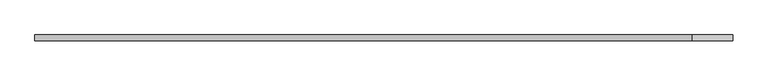
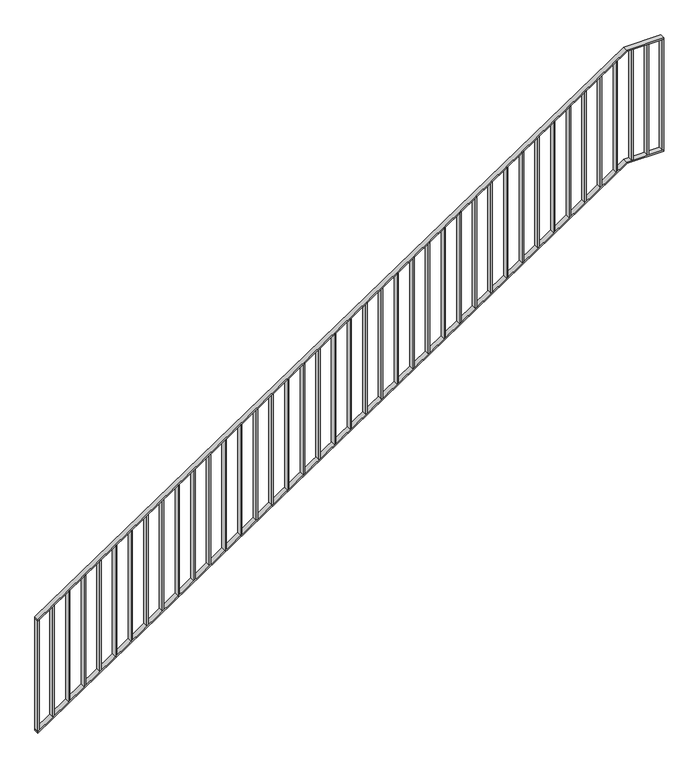
"""IFC4 building model written with IfcOpenShell, lengths in millimetres: railing geometry."""

from ifc_helpers import new_model, si_unit, frame, origin, place, context, project, spatial, polyline, outline, extrude, faceted_brep, source, transform, mapped, element, save


def railing_c7908dce(model_context):
    return source(origin(), model_context, "Body", "SolidModel", [
        faceted_brep([(2740.0, 2985.4, 1188.2352941), (2740.0, 3025.4, 1188.2352941), (2740.0, 3025.4, 1176.1856241), (2740.0, 2985.4, 1176.1856241), (7220.0, 2985.4, 4200.0), (7220.0, 3025.4, 4200.0), (7223.0488842, 3025.4, 4190.0), (7223.0488842, 2985.4, 4190.0), (7500.0, 2985.4, 4200.0), (7500.0, 2985.4, 4190.0), (7500.0, 3025.4, 4190.0), (7500.0, 3025.4, 4200.0)], [[[0, 1, 2, 3]], [[1, 0, 4, 5]], [[2, 1, 5, 6]], [[3, 2, 6, 7]], [[0, 3, 7, 4]], [[8, 9, 10, 11]], [[5, 4, 8, 11]], [[6, 5, 11, 10]], [[7, 6, 10, 9]], [[4, 7, 9, 8]]]),
        faceted_brep([(2740.0, 2985.4, 288.2352941), (2740.0, 3025.4, 288.2352941), (2740.0, 3025.4, 276.1856241), (2740.0, 2985.4, 276.1856241), (7220.0, 2985.4, 3300.0), (7220.0, 3025.4, 3300.0), (7223.0488842, 3025.4, 3290.0), (7223.0488842, 2985.4, 3290.0), (7500.0, 2985.4, 3300.0), (7500.0, 2985.4, 3290.0), (7500.0, 3025.4, 3290.0), (7500.0, 3025.4, 3300.0)], [[[0, 1, 2, 3]], [[1, 0, 4, 5]], [[2, 1, 5, 6]], [[3, 2, 6, 7]], [[0, 3, 7, 4]], [[8, 9, 10, 11]], [[5, 4, 8, 11]], [[6, 5, 11, 10]], [[7, 6, 10, 9]], [[4, 7, 9, 8]]]),
        extrude(outline(polyline([(7376.0, 2985.4), (7376.0, 3025.4), (7386.0, 3025.4), (7386.0, 2985.4), (7376.0, 2985.4)])), frame((0.0, 0.0, 3300.0), z_axis=(0.0, 0.0, 1.0), x_axis=(1.0, 0.0, 0.0)), (0.0, 0.0, 1.0), 890.0),
        extrude(outline(polyline([(7257.0, 2985.4), (7257.0, 3025.4), (7267.0, 3025.4), (7267.0, 2985.4), (7257.0, 2985.4)])), frame((0.0, 0.0, 3300.0), z_axis=(0.0, 0.0, 1.0), x_axis=(1.0, 0.0, 0.0)), (0.0, 0.0, 1.0), 890.0),
        extrude(outline(polyline([(4134.8739496, 7138.0), (3244.8739496, 7138.0), (3251.5966387, 7148.0), (4141.5966387, 7148.0), (4134.8739496, 7138.0)])), frame((0.0, 2985.4, 0.0), z_axis=(0.0, 1.0, 0.0), x_axis=(0.0, 0.0, 1.0)), (0.0, 0.0, 1.0), 40.0),
        extrude(outline(polyline([(4054.8739496, 7019.0), (3164.8739496, 7019.0), (3171.5966387, 7029.0), (4061.5966387, 7029.0), (4054.8739496, 7019.0)])), frame((0.0, 2985.4, 0.0), z_axis=(0.0, 1.0, 0.0), x_axis=(0.0, 0.0, 1.0)), (0.0, 0.0, 1.0), 40.0),
        extrude(outline(polyline([(3974.8739496, 6900.0), (3084.8739496, 6900.0), (3091.5966387, 6910.0), (3981.5966387, 6910.0), (3974.8739496, 6900.0)])), frame((0.0, 2985.4, 0.0), z_axis=(0.0, 1.0, 0.0), x_axis=(0.0, 0.0, 1.0)), (0.0, 0.0, 1.0), 40.0),
        extrude(outline(polyline([(3894.8739496, 6781.0), (3004.8739496, 6781.0), (3011.5966387, 6791.0), (3901.5966387, 6791.0), (3894.8739496, 6781.0)])), frame((0.0, 2985.4, 0.0), z_axis=(0.0, 1.0, 0.0), x_axis=(0.0, 0.0, 1.0)), (0.0, 0.0, 1.0), 40.0),
        extrude(outline(polyline([(3814.8739496, 6662.0), (2924.8739496, 6662.0), (2931.5966387, 6672.0), (3821.5966387, 6672.0), (3814.8739496, 6662.0)])), frame((0.0, 2985.4, 0.0), z_axis=(0.0, 1.0, 0.0), x_axis=(0.0, 0.0, 1.0)), (0.0, 0.0, 1.0), 40.0),
        extrude(outline(polyline([(3734.8739496, 6543.0), (2844.8739496, 6543.0), (2851.5966387, 6553.0), (3741.5966387, 6553.0), (3734.8739496, 6543.0)])), frame((0.0, 2985.4, 0.0), z_axis=(0.0, 1.0, 0.0), x_axis=(0.0, 0.0, 1.0)), (0.0, 0.0, 1.0), 40.0),
        extrude(outline(polyline([(3654.8739496, 6424.0), (2764.8739496, 6424.0), (2771.5966387, 6434.0), (3661.5966387, 6434.0), (3654.8739496, 6424.0)])), frame((0.0, 2985.4, 0.0), z_axis=(0.0, 1.0, 0.0), x_axis=(0.0, 0.0, 1.0)), (0.0, 0.0, 1.0), 40.0),
        extrude(outline(polyline([(3574.8739496, 6305.0), (2684.8739496, 6305.0), (2691.5966387, 6315.0), (3581.5966387, 6315.0), (3574.8739496, 6305.0)])), frame((0.0, 2985.4, 0.0), z_axis=(0.0, 1.0, 0.0), x_axis=(0.0, 0.0, 1.0)), (0.0, 0.0, 1.0), 40.0),
        extrude(outline(polyline([(3494.8739496, 6186.0), (2604.8739496, 6186.0), (2611.5966387, 6196.0), (3501.5966387, 6196.0), (3494.8739496, 6186.0)])), frame((0.0, 2985.4, 0.0), z_axis=(0.0, 1.0, 0.0), x_axis=(0.0, 0.0, 1.0)), (0.0, 0.0, 1.0), 40.0),
        extrude(outline(polyline([(3414.8739496, 6067.0), (2524.8739496, 6067.0), (2531.5966387, 6077.0), (3421.5966387, 6077.0), (3414.8739496, 6067.0)])), frame((0.0, 2985.4, 0.0), z_axis=(0.0, 1.0, 0.0), x_axis=(0.0, 0.0, 1.0)), (0.0, 0.0, 1.0), 40.0),
        extrude(outline(polyline([(3334.8739496, 5948.0), (2444.8739496, 5948.0), (2451.5966387, 5958.0), (3341.5966387, 5958.0), (3334.8739496, 5948.0)])), frame((0.0, 2985.4, 0.0), z_axis=(0.0, 1.0, 0.0), x_axis=(0.0, 0.0, 1.0)), (0.0, 0.0, 1.0), 40.0),
        extrude(outline(polyline([(3254.8739496, 5829.0), (2364.8739496, 5829.0), (2371.5966387, 5839.0), (3261.5966387, 5839.0), (3254.8739496, 5829.0)])), frame((0.0, 2985.4, 0.0), z_axis=(0.0, 1.0, 0.0), x_axis=(0.0, 0.0, 1.0)), (0.0, 0.0, 1.0), 40.0),
        extrude(outline(polyline([(3174.8739496, 5710.0), (2284.8739496, 5710.0), (2291.5966387, 5720.0), (3181.5966387, 5720.0), (3174.8739496, 5710.0)])), frame((0.0, 2985.4, 0.0), z_axis=(0.0, 1.0, 0.0), x_axis=(0.0, 0.0, 1.0)), (0.0, 0.0, 1.0), 40.0),
        extrude(outline(polyline([(3094.8739496, 5591.0), (2204.8739496, 5591.0), (2211.5966387, 5601.0), (3101.5966387, 5601.0), (3094.8739496, 5591.0)])), frame((0.0, 2985.4, 0.0), z_axis=(0.0, 1.0, 0.0), x_axis=(0.0, 0.0, 1.0)), (0.0, 0.0, 1.0), 40.0),
        extrude(outline(polyline([(3014.8739496, 5472.0), (2124.8739496, 5472.0), (2131.5966387, 5482.0), (3021.5966387, 5482.0), (3014.8739496, 5472.0)])), frame((0.0, 2985.4, 0.0), z_axis=(0.0, 1.0, 0.0), x_axis=(0.0, 0.0, 1.0)), (0.0, 0.0, 1.0), 40.0),
        extrude(outline(polyline([(2934.8739496, 5353.0), (2044.8739496, 5353.0), (2051.5966387, 5363.0), (2941.5966387, 5363.0), (2934.8739496, 5353.0)])), frame((0.0, 2985.4, 0.0), z_axis=(0.0, 1.0, 0.0), x_axis=(0.0, 0.0, 1.0)), (0.0, 0.0, 1.0), 40.0),
        extrude(outline(polyline([(2854.8739496, 5234.0), (1964.8739496, 5234.0), (1971.5966387, 5244.0), (2861.5966387, 5244.0), (2854.8739496, 5234.0)])), frame((0.0, 2985.4, 0.0), z_axis=(0.0, 1.0, 0.0), x_axis=(0.0, 0.0, 1.0)), (0.0, 0.0, 1.0), 40.0),
        extrude(outline(polyline([(2774.8739496, 5115.0), (1884.8739496, 5115.0), (1891.5966387, 5125.0), (2781.5966387, 5125.0), (2774.8739496, 5115.0)])), frame((0.0, 2985.4, 0.0), z_axis=(0.0, 1.0, 0.0), x_axis=(0.0, 0.0, 1.0)), (0.0, 0.0, 1.0), 40.0),
        extrude(outline(polyline([(2694.8739496, 4996.0), (1804.8739496, 4996.0), (1811.5966387, 5006.0), (2701.5966387, 5006.0), (2694.8739496, 4996.0)])), frame((0.0, 2985.4, 0.0), z_axis=(0.0, 1.0, 0.0), x_axis=(0.0, 0.0, 1.0)), (0.0, 0.0, 1.0), 40.0),
        extrude(outline(polyline([(2614.8739496, 4877.0), (1724.8739496, 4877.0), (1731.5966387, 4887.0), (2621.5966387, 4887.0), (2614.8739496, 4877.0)])), frame((0.0, 2985.4, 0.0), z_axis=(0.0, 1.0, 0.0), x_axis=(0.0, 0.0, 1.0)), (0.0, 0.0, 1.0), 40.0),
        extrude(outline(polyline([(2534.8739496, 4758.0), (1644.8739496, 4758.0), (1651.5966387, 4768.0), (2541.5966387, 4768.0), (2534.8739496, 4758.0)])), frame((0.0, 2985.4, 0.0), z_axis=(0.0, 1.0, 0.0), x_axis=(0.0, 0.0, 1.0)), (0.0, 0.0, 1.0), 40.0),
        extrude(outline(polyline([(2454.8739496, 4639.0), (1564.8739496, 4639.0), (1571.5966387, 4649.0), (2461.5966387, 4649.0), (2454.8739496, 4639.0)])), frame((0.0, 2985.4, 0.0), z_axis=(0.0, 1.0, 0.0), x_axis=(0.0, 0.0, 1.0)), (0.0, 0.0, 1.0), 40.0),
        extrude(outline(polyline([(2374.8739496, 4520.0), (1484.8739496, 4520.0), (1491.5966387, 4530.0), (2381.5966387, 4530.0), (2374.8739496, 4520.0)])), frame((0.0, 2985.4, 0.0), z_axis=(0.0, 1.0, 0.0), x_axis=(0.0, 0.0, 1.0)), (0.0, 0.0, 1.0), 40.0),
        extrude(outline(polyline([(2294.8739496, 4401.0), (1404.8739496, 4401.0), (1411.5966387, 4411.0), (2301.5966387, 4411.0), (2294.8739496, 4401.0)])), frame((0.0, 2985.4, 0.0), z_axis=(0.0, 1.0, 0.0), x_axis=(0.0, 0.0, 1.0)), (0.0, 0.0, 1.0), 40.0),
        extrude(outline(polyline([(2214.8739496, 4282.0), (1324.8739496, 4282.0), (1331.5966387, 4292.0), (2221.5966387, 4292.0), (2214.8739496, 4282.0)])), frame((0.0, 2985.4, 0.0), z_axis=(0.0, 1.0, 0.0), x_axis=(0.0, 0.0, 1.0)), (0.0, 0.0, 1.0), 40.0),
        extrude(outline(polyline([(2134.8739496, 4163.0), (1244.8739496, 4163.0), (1251.5966387, 4173.0), (2141.5966387, 4173.0), (2134.8739496, 4163.0)])), frame((0.0, 2985.4, 0.0), z_axis=(0.0, 1.0, 0.0), x_axis=(0.0, 0.0, 1.0)), (0.0, 0.0, 1.0), 40.0),
        extrude(outline(polyline([(2054.8739496, 4044.0), (1164.8739496, 4044.0), (1171.5966387, 4054.0), (2061.5966387, 4054.0), (2054.8739496, 4044.0)])), frame((0.0, 2985.4, 0.0), z_axis=(0.0, 1.0, 0.0), x_axis=(0.0, 0.0, 1.0)), (0.0, 0.0, 1.0), 40.0),
        extrude(outline(polyline([(1974.8739496, 3925.0), (1084.8739496, 3925.0), (1091.5966387, 3935.0), (1981.5966387, 3935.0), (1974.8739496, 3925.0)])), frame((0.0, 2985.4, 0.0), z_axis=(0.0, 1.0, 0.0), x_axis=(0.0, 0.0, 1.0)), (0.0, 0.0, 1.0), 40.0),
        extrude(outline(polyline([(1894.8739496, 3806.0), (1004.8739496, 3806.0), (1011.5966387, 3816.0), (1901.5966387, 3816.0), (1894.8739496, 3806.0)])), frame((0.0, 2985.4, 0.0), z_axis=(0.0, 1.0, 0.0), x_axis=(0.0, 0.0, 1.0)), (0.0, 0.0, 1.0), 40.0),
        extrude(outline(polyline([(1814.8739496, 3687.0), (924.8739496, 3687.0), (931.5966387, 3697.0), (1821.5966387, 3697.0), (1814.8739496, 3687.0)])), frame((0.0, 2985.4, 0.0), z_axis=(0.0, 1.0, 0.0), x_axis=(0.0, 0.0, 1.0)), (0.0, 0.0, 1.0), 40.0),
        extrude(outline(polyline([(1734.8739496, 3568.0), (844.8739496, 3568.0), (851.5966387, 3578.0), (1741.5966387, 3578.0), (1734.8739496, 3568.0)])), frame((0.0, 2985.4, 0.0), z_axis=(0.0, 1.0, 0.0), x_axis=(0.0, 0.0, 1.0)), (0.0, 0.0, 1.0), 40.0),
        extrude(outline(polyline([(1654.8739496, 3449.0), (764.8739496, 3449.0), (771.5966387, 3459.0), (1661.5966387, 3459.0), (1654.8739496, 3449.0)])), frame((0.0, 2985.4, 0.0), z_axis=(0.0, 1.0, 0.0), x_axis=(0.0, 0.0, 1.0)), (0.0, 0.0, 1.0), 40.0),
        extrude(outline(polyline([(1574.8739496, 3330.0), (684.8739496, 3330.0), (691.5966387, 3340.0), (1581.5966387, 3340.0), (1574.8739496, 3330.0)])), frame((0.0, 2985.4, 0.0), z_axis=(0.0, 1.0, 0.0), x_axis=(0.0, 0.0, 1.0)), (0.0, 0.0, 1.0), 40.0),
        extrude(outline(polyline([(1494.8739496, 3211.0), (604.8739496, 3211.0), (611.5966387, 3221.0), (1501.5966387, 3221.0), (1494.8739496, 3211.0)])), frame((0.0, 2985.4, 0.0), z_axis=(0.0, 1.0, 0.0), x_axis=(0.0, 0.0, 1.0)), (0.0, 0.0, 1.0), 40.0),
        extrude(outline(polyline([(1414.8739496, 3092.0), (524.8739496, 3092.0), (531.5966387, 3102.0), (1421.5966387, 3102.0), (1414.8739496, 3092.0)])), frame((0.0, 2985.4, 0.0), z_axis=(0.0, 1.0, 0.0), x_axis=(0.0, 0.0, 1.0)), (0.0, 0.0, 1.0), 40.0),
        extrude(outline(polyline([(1334.8739496, 2973.0), (444.8739496, 2973.0), (451.5966387, 2983.0), (1341.5966387, 2983.0), (1334.8739496, 2973.0)])), frame((0.0, 2985.4, 0.0), z_axis=(0.0, 1.0, 0.0), x_axis=(0.0, 0.0, 1.0)), (0.0, 0.0, 1.0), 40.0),
        extrude(outline(polyline([(1254.8739496, 2854.0), (364.8739496, 2854.0), (371.5966387, 2864.0), (1261.5966387, 2864.0), (1254.8739496, 2854.0)])), frame((0.0, 2985.4, 0.0), z_axis=(0.0, 1.0, 0.0), x_axis=(0.0, 0.0, 1.0)), (0.0, 0.0, 1.0), 40.0),
        extrude(outline(polyline([(7490.0, 2985.4), (7490.0, 3025.4), (7500.0, 3025.4), (7500.0, 2985.4), (7490.0, 2985.4)])), frame((0.0, 0.0, 3300.0), z_axis=(0.0, 0.0, 1.0), x_axis=(1.0, 0.0, 0.0)), (0.0, 0.0, 1.0), 890.0),
        extrude(outline(polyline([(1178.2352941, 2740.0), (288.2352941, 2740.0), (294.9579832, 2750.0), (1184.9579832, 2750.0), (1178.2352941, 2740.0)])), frame((0.0, 2985.4, 0.0), z_axis=(0.0, 1.0, 0.0), x_axis=(0.0, 0.0, 1.0)), (0.0, 0.0, 1.0), 40.0),
    ])


if __name__ == "__main__":
    model = new_model("IFC4")
    model_context = context("Model", 3, world=origin())
    ifc_project = project(units=[si_unit("LENGTHUNIT", "METRE", prefix="MILLI")], contexts=[model_context])
    site = spatial("IfcSite", under=ifc_project)
    building = spatial("IfcBuilding", under=site)
    placement = place(None, origin())
    railing_shape = railing_c7908dce(model_context)
    element("IfcRailing", 1, at=placement, inside=building, context=model_context, shape_type="MappedRepresentation", body=[
        mapped(railing_shape, transform((0.0, 0.0, 0.0), x_axis=(1.0, 0.0, 0.0), y_axis=(0.0, 1.0, 0.0), z_axis=(0.0, 0.0, 1.0))),
    ])
    save(model, "model.ifc")
